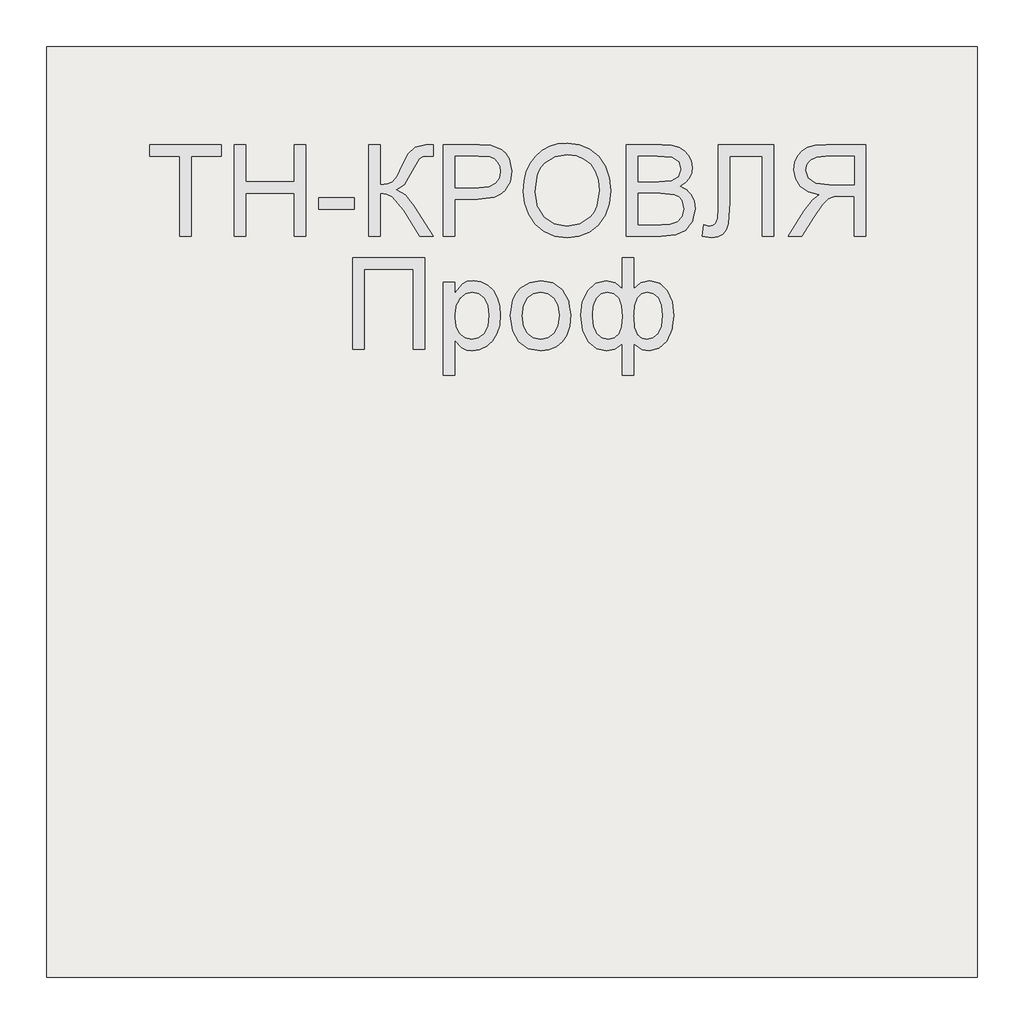
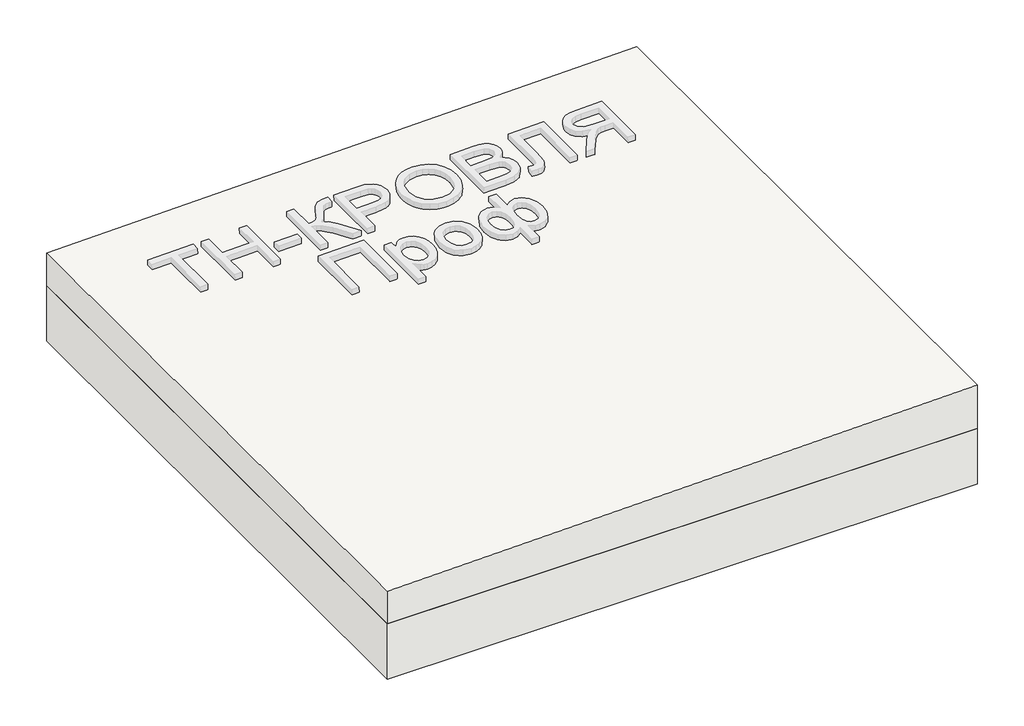
# One storey, part 1 of 3: 1 roof, 1 slab.
"""IFC4 building model written with IfcOpenShell, lengths in millimetres."""

from ifc_helpers import new_model, si_unit, frame, origin, place, context, project, spatial, polyline, outline, extrude, element, save

model = new_model("IFC4")

# Units and contexts
model_context = context("Model", 3, world=origin())
ifc_project = project(units=[si_unit("LENGTHUNIT", "METRE", prefix="MILLI")], contexts=[model_context])

# Site, building, storey
site = spatial("IfcSite", under=ifc_project)
building = spatial("IfcBuilding", under=site)
storey = spatial("IfcBuildingStorey", under=building, Elevation=0.0)

# Roof
placement = place(None, origin())
element("IfcRoof", 1, at=placement, inside=storey, context=model_context, shape_type="SweptSolid", body=[
    extrude(outline(polyline([(116.0, 42706.3955952), (0.0, 42706.3955952), (0.0, 44706.3955952), (156.0, 44706.3955952), (116.0, 42706.3955952)])), frame((0.0, -6302.6148653, 0.0), z_axis=(0.0, 1.0, 0.0), x_axis=(0.0, 0.0, 1.0)), (0.0, 0.0, 1.0), 2000.0),
])

# Slab
element("IfcSlab", 2, at=placement, inside=storey, context=model_context, shape_type="SweptSolid", body=[
    extrude(outline(polyline([(44706.3955952, -6302.6148653), (42706.3955952, -6302.6148653), (42706.3955952, -4302.6148653), (44706.3955952, -4302.6148653), (44706.3955952, -6302.6148653)])), frame((0.0, 0.0, -200.0), z_axis=(0.0, 0.0, 1.0), x_axis=(1.0, 0.0, 0.0)), (0.0, 0.0, 1.0), 200.0),
])

save(model, "model.ifc")
